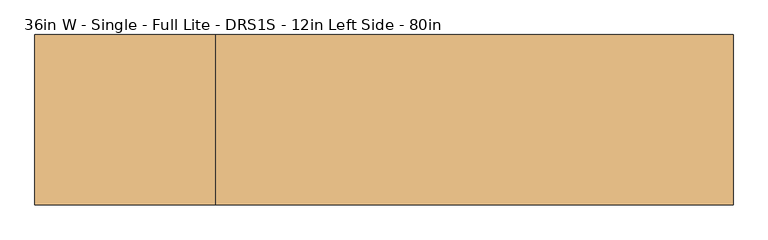
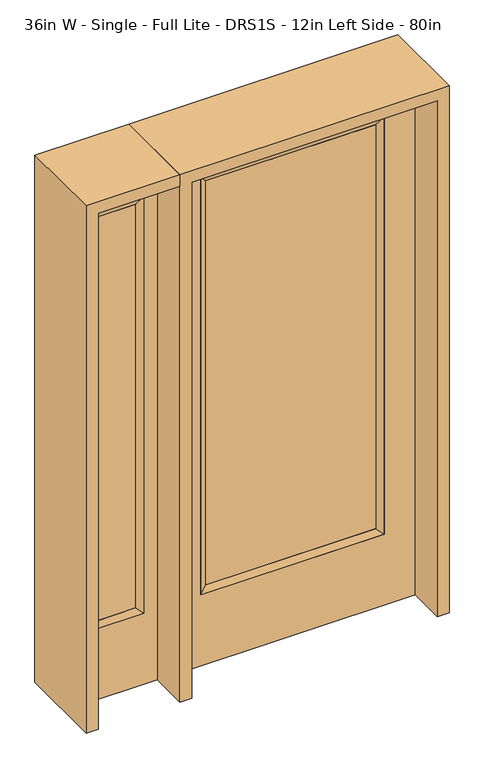
"""IFC4 building model written with IfcOpenShell, lengths in millimetres: door geometry, 36in W - Single - Full Lite - DRS1S - 12in Left Side - 80in."""

from ifc_helpers import new_model, si_unit, frame, origin, place, context, project, spatial, polyline, outline, extrude, faceted_brep, source, transform, mapped, element, save


def door_36in_w_single_full_lite_drs1s_12in_left_side_80in_27230ada(model_context):
    return source(origin(), model_context, "Body", "SolidModel", [
        extrude(outline(polyline([(316.3824, -12.7039749), (-316.3824, -12.7039749), (-316.3824, 14.2875), (316.3824, 14.2875), (316.3824, -12.7039749)])), frame((0.0, 0.0, 304.8), z_axis=(0.0, 0.0, 1.0), x_axis=(1.0, 0.0, 0.0)), (0.0, 0.0, 1.0), 1591.1576),
        faceted_brep([(316.3824, 14.2875, 1895.9576), (341.7824, 22.225, 1921.3576), (341.7824, 22.225, 279.4), (316.3824, 14.2875, 304.8), (341.7824, -22.225, 1921.3576), (341.7824, -22.225, 279.4), (-341.7824, 22.225, 279.4), (-316.3824, 14.2875, 304.8), (316.3824, -12.7039749, 1895.9576), (316.3824, -12.7039749, 304.8), (-316.3824, -12.7039749, 304.8), (-341.7824, -22.225, 279.4), (-341.7824, 22.225, 1921.3576), (-316.3824, 14.2875, 1895.9576), (-316.3824, -12.7039749, 1895.9576), (-341.7824, -22.225, 1921.3576)], [[[0, 1, 2, 3]], [[1, 4, 5, 2]], [[3, 2, 6, 7]], [[8, 0, 3, 9]], [[9, 3, 7, 10]], [[4, 8, 9, 5]], [[5, 9, 10, 11]], [[2, 5, 11, 6]], [[7, 6, 12, 13]], [[10, 7, 13, 14]], [[11, 10, 14, 15]], [[6, 11, 15, 12]], [[13, 12, 1, 0]], [[14, 13, 0, 8]], [[15, 14, 8, 4]], [[12, 15, 4, 1]]]),
        extrude(outline(polyline([(0.0, -457.2), (0.0, 457.2), (2032.0, 457.2), (2032.0, -457.2), (0.0, -457.2)]), holes=[polyline([(279.4, -341.7824), (1921.3576, -341.7824), (1921.3576, 341.7824), (279.4, 341.7824), (279.4, -341.7824)])]), frame((0.0, -22.225, 0.0), z_axis=(0.0, 1.0, 0.0), x_axis=(0.0, 0.0, 1.0)), (0.0, 0.0, 1.0), 44.45),
        faceted_brep([(-552.45, 20.6375, 1920.875), (-552.45, -20.6375, 1920.875), (-552.45, -20.6375, 279.4), (-552.45, 20.6375, 279.4), (-577.85, -12.7, 1895.475), (-577.85, -12.7, 304.8), (-755.65, -20.6375, 279.4), (-755.65, 20.6375, 279.4), (-577.85, 12.7, 1895.475), (-577.85, 12.7, 304.8), (-730.25, 12.7, 304.8), (-730.25, -12.7, 304.8), (-755.65, -20.6375, 1920.875), (-755.65, 20.6375, 1920.875), (-730.25, 12.7, 1895.475), (-730.25, -12.7, 1895.475)], [[[0, 1, 2, 3]], [[1, 4, 5, 2]], [[3, 2, 6, 7]], [[8, 0, 3, 9]], [[9, 3, 7, 10]], [[4, 8, 9, 5]], [[5, 9, 10, 11]], [[2, 5, 11, 6]], [[7, 6, 12, 13]], [[10, 7, 13, 14]], [[11, 10, 14, 15]], [[6, 11, 15, 12]], [[13, 12, 1, 0]], [[14, 13, 0, 8]], [[15, 14, 8, 4]], [[12, 15, 4, 1]]]),
        extrude(outline(polyline([(0.0, -806.45), (0.0, -501.65), (2032.0, -501.65), (2032.0, -806.45), (0.0, -806.45)]), holes=[polyline([(1920.875, -552.45), (279.4, -552.45), (279.4, -755.65), (1920.875, -755.65), (1920.875, -552.45)])]), frame((0.0, -20.6375, 0.0), z_axis=(0.0, 1.0, 0.0), x_axis=(0.0, 0.0, 1.0)), (0.0, 0.0, 1.0), 41.275),
        extrude(outline(polyline([(-577.85, -12.7), (-730.25, -12.7), (-730.25, 12.7), (-577.85, 12.7), (-577.85, -12.7)])), frame((0.0, 0.0, 304.8), z_axis=(0.0, 0.0, 1.0), x_axis=(1.0, 0.0, 0.0)), (0.0, 0.0, 1.0), 1590.675),
        extrude(outline(polyline([(2032.0, -501.65), (2076.45, -501.65), (2076.45, -850.9), (0.0, -850.9), (0.0, -806.45), (2032.0, -806.45), (2032.0, -501.65)])), frame((0.0, -165.1, 0.0), z_axis=(0.0, 1.0, 0.0), x_axis=(0.0, 0.0, 1.0)), (0.0, 0.0, 1.0), 330.2),
        extrude(outline(polyline([(2076.45, -501.65), (0.0, -501.65), (0.0, -457.2), (2032.0, -457.2), (2032.0, 457.2), (0.0, 457.2), (0.0, 501.65), (2076.45, 501.65), (2076.45, -501.65)])), frame((0.0, -165.1, 0.0), z_axis=(0.0, 1.0, 0.0), x_axis=(0.0, 0.0, 1.0)), (0.0, 0.0, 1.0), 330.2),
    ])


if __name__ == "__main__":
    model = new_model("IFC4")
    model_context = context("Model", 3, world=origin())
    ifc_project = project(units=[si_unit("LENGTHUNIT", "METRE", prefix="MILLI")], contexts=[model_context])
    site = spatial("IfcSite", under=ifc_project)
    building = spatial("IfcBuilding", under=site)
    placement = place(None, origin())
    door_36in_w_single_full_lite_drs1s_12in_left_side_80in_shape = door_36in_w_single_full_lite_drs1s_12in_left_side_80in_27230ada(model_context)
    element("IfcDoor", 1, ObjectType="36in W - Single - Full Lite - DRS1S - 12in Left Side - 80in", at=placement, inside=building, context=model_context, shape_type="MappedRepresentation", body=[
        mapped(door_36in_w_single_full_lite_drs1s_12in_left_side_80in_shape, transform((0.0, 0.0, 0.0), x_axis=(1.0, 0.0, 0.0), y_axis=(0.0, 1.0, 0.0), z_axis=(0.0, 0.0, 1.0))),
    ])
    save(model, "model.ifc")
